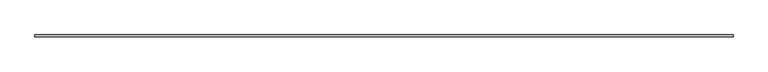
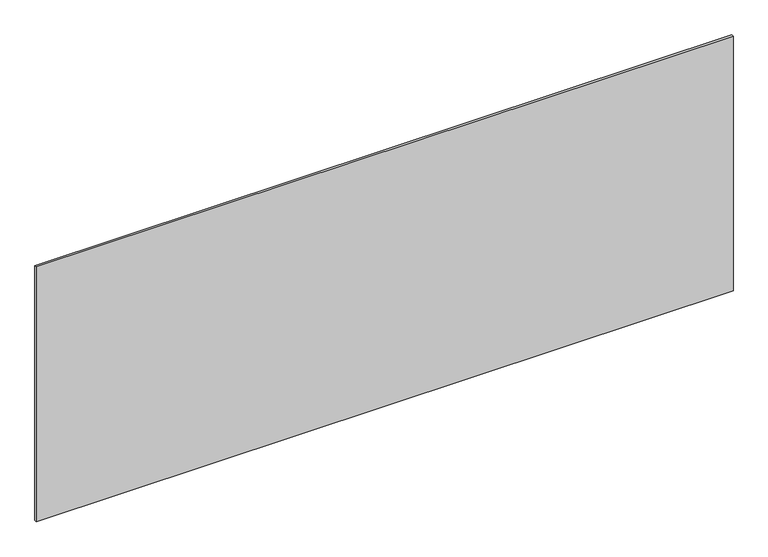
"""IFC4 building model written with IfcOpenShell, lengths in millimetres: plate geometry."""

from ifc_helpers import new_model, si_unit, origin, origin_with_axes, place, context, project, spatial, polyline, outline, extrude, source, transform, mapped, element, save


def plate_d82af523(model_context):
    return source(origin(), model_context, "Body", "SweptSolid", [
        extrude(outline(polyline([(1697.5, -5.0), (-1697.5, -5.0), (-1697.5, 5.0), (1697.5, 5.0), (1697.5, -5.0)])), origin_with_axes(), (0.0, 0.0, 1.0), 1312.0052046),
    ])


if __name__ == "__main__":
    model = new_model("IFC4")
    model_context = context("Model", 3, world=origin())
    ifc_project = project(units=[si_unit("LENGTHUNIT", "METRE", prefix="MILLI")], contexts=[model_context])
    site = spatial("IfcSite", under=ifc_project)
    building = spatial("IfcBuilding", under=site)
    placement = place(None, origin())
    plate_shape = plate_d82af523(model_context)
    element("IfcPlate", 1, at=placement, inside=building, context=model_context, shape_type="MappedRepresentation", body=[
        mapped(plate_shape, transform((0.0, 0.0, 0.0), x_axis=(1.0, 0.0, 0.0), y_axis=(0.0, 1.0, 0.0), z_axis=(0.0, 0.0, 1.0))),
    ])
    save(model, "model.ifc")
